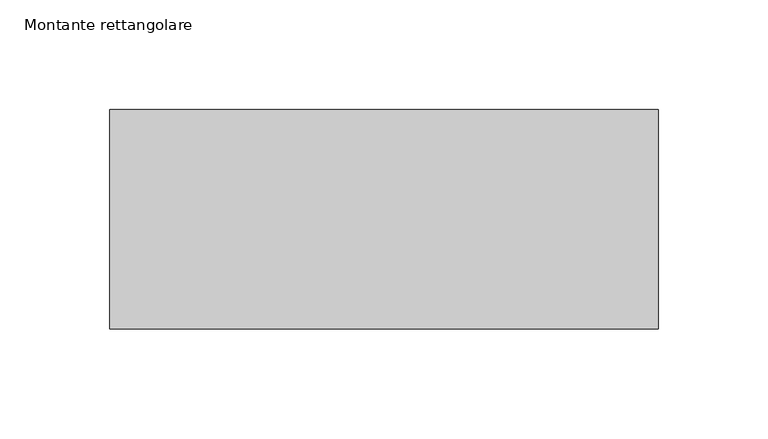
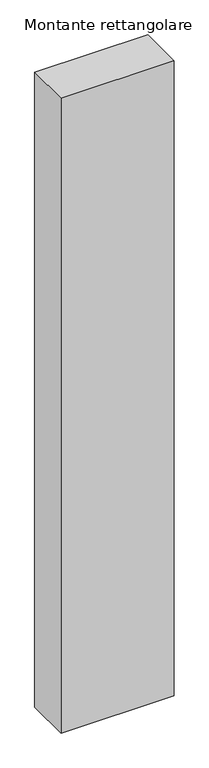
"""IFC4 building model written with IfcOpenShell, lengths in millimetres: member geometry, Montante rettangolare."""

from ifc_helpers import new_model, si_unit, frame, origin, place, context, project, spatial, polyline, outline, extrude, source, transform, mapped, element, save


def montante_rettangolare_4d4c4941(model_context):
    return source(origin(), model_context, "Body", "SweptSolid", [
        extrude(outline(polyline([(0.0, 50.0), (0.0, -50.0), (-250.0, -50.0), (-250.0, 50.0), (0.0, 50.0)])), frame((0.0, 0.0, -1480.0), z_axis=(0.0, 0.0, 1.0), x_axis=(1.0, 0.0, 0.0)), (0.0, 0.0, 1.0), 1480.0),
    ])


if __name__ == "__main__":
    model = new_model("IFC4")
    model_context = context("Model", 3, world=origin())
    ifc_project = project(units=[si_unit("LENGTHUNIT", "METRE", prefix="MILLI")], contexts=[model_context])
    site = spatial("IfcSite", under=ifc_project)
    building = spatial("IfcBuilding", under=site)
    placement = place(None, origin())
    montante_rettangolare_shape = montante_rettangolare_4d4c4941(model_context)
    element("IfcMember", 1, ObjectType="Montante rettangolare", at=placement, inside=building, context=model_context, shape_type="MappedRepresentation", body=[
        mapped(montante_rettangolare_shape, transform((0.0, 0.0, 0.0), x_axis=(1.0, 0.0, 0.0), y_axis=(0.0, 1.0, 0.0), z_axis=(0.0, 0.0, 1.0))),
    ])
    save(model, "model.ifc")
